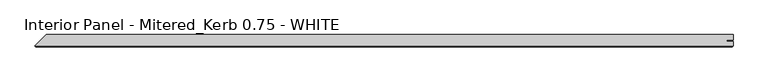
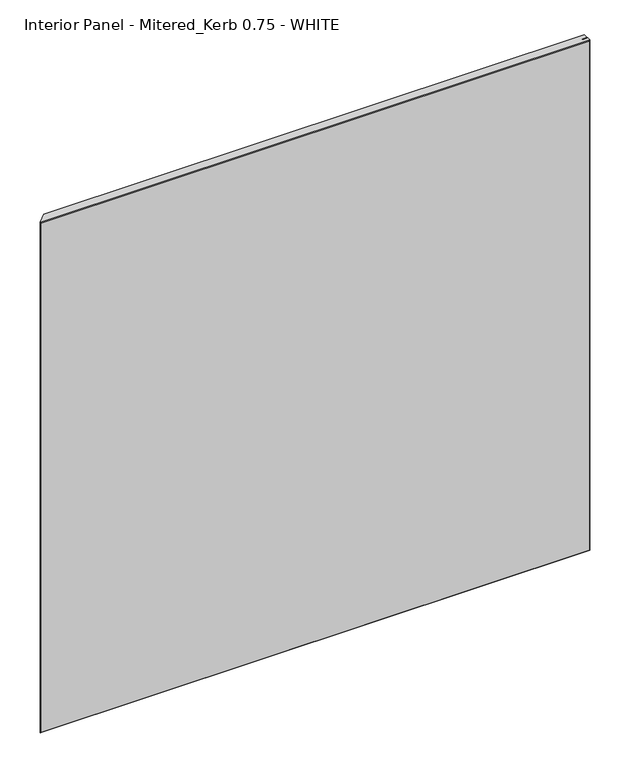
"""IFC4 building model written with IfcOpenShell, lengths in millimetres: proxy geometry, Interior Panel - Mitered_Kerb 0.75 - WHITE."""

from ifc_helpers import new_model, si_unit, origin, place, context, project, spatial, faceted_brep, source, transform, mapped, element, save


def interior_panel_mitered_kerb_0_75_white_5cb5f9c5(model_context):
    return source(origin(), model_context, "Body", "Brep", [
        faceted_brep([(1010.9398437, 3.175, 1063.625), (-55.5625, 3.175, 1063.625), (-73.025, -14.2875, 1063.625), (1010.9398437, -14.2875, 1063.625), (1010.9398437, -7.4168, 1063.625), (1001.1171875, -7.4168, 1063.625), (1001.1171875, -5.2832, 1063.625), (1010.9398437, -5.2832, 1063.625), (1010.9398437, 3.175, 0.0), (1010.9398437, -5.2832, 0.0), (1001.1171875, -5.2832, 0.0), (1001.1171875, -7.4168, 0.0), (1010.9398437, -7.4168, 0.0), (1010.9398437, -14.2875, 0.0), (-73.025, -14.2875, 0.0), (-55.5625, 3.175, 0.0), (-71.4375, -15.875, 1062.0375), (-71.4375, -15.875, 1.5875), (1009.3523437, -15.875, 1.5875), (1009.3523437, -15.875, 1062.0375)], [[[0, 1, 2, 3, 4, 5, 6, 7]], [[8, 9, 10, 11, 12, 13, 14, 15]], [[1, 0, 8, 15]], [[16, 17, 18, 19]], [[4, 3, 13, 12]], [[13, 3, 19, 18]], [[3, 2, 16, 19]], [[14, 13, 18, 17]], [[5, 4, 12, 11]], [[6, 5, 11, 10]], [[7, 6, 10, 9]], [[0, 7, 9, 8]], [[2, 14, 17, 16]], [[2, 1, 15, 14]]]),
    ])


if __name__ == "__main__":
    model = new_model("IFC4")
    model_context = context("Model", 3, world=origin())
    ifc_project = project(units=[si_unit("LENGTHUNIT", "METRE", prefix="MILLI")], contexts=[model_context])
    site = spatial("IfcSite", under=ifc_project)
    building = spatial("IfcBuilding", under=site)
    placement = place(None, origin())
    interior_panel_mitered_kerb_0_75_white_shape = interior_panel_mitered_kerb_0_75_white_5cb5f9c5(model_context)
    element("IfcBuildingElementProxy", 1, Name="Interior Panel - Mitered_Kerb 0.75 - WHITE", ObjectType="Interior Panel - Mitered_Kerb 0.75 - WHITE", at=placement, inside=building, context=model_context, shape_type="MappedRepresentation", body=[
        mapped(interior_panel_mitered_kerb_0_75_white_shape, transform((0.0, 0.0, 0.0), x_axis=(1.0, 0.0, 0.0), y_axis=(0.0, 1.0, 0.0), z_axis=(0.0, 0.0, 1.0))),
    ])
    save(model, "model.ifc")
